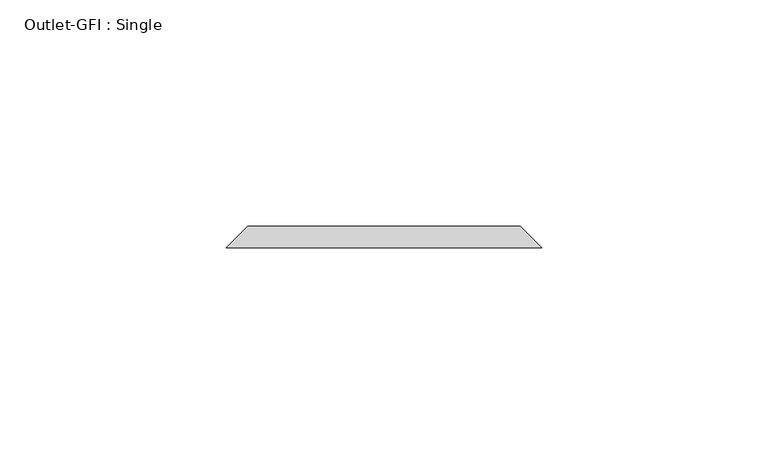
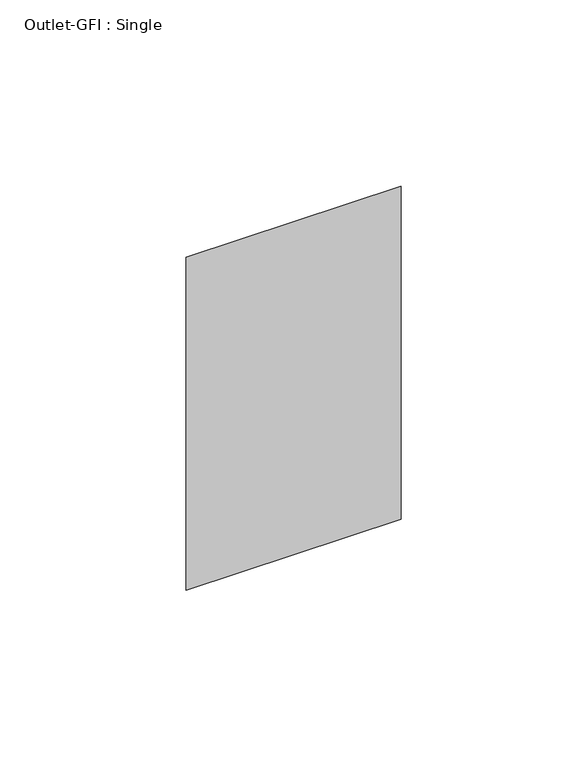
"""IFC4 building model written with IfcOpenShell, lengths in millimetres: proxy geometry, Outlet-GFI : Single."""

import ifcopenshell
import ifcopenshell.guid

model = None  # the IFC model being written
_history = None  # IfcOwnerHistory: only IFC2X3 demands one
_inside = {}  # id of a spatial element -> (the spatial element, [elements in it])
_under = {}  # id of a project, library or spatial element -> (it, [spatial elements below it])
_declared = {}  # id of a project -> (the project, [libraries it declares])
_typed = {}  # id of a type object -> (the type object, [elements of that type])
_made_of = {}  # id of a material, layer set ... -> (it, [elements and type objects made of it])


def new_model(schema):
    """Start an empty IFC model of exactly this schema.

    Asked for "IFC4X3", IfcOpenShell would pick the latest addendum, in which some entities
    have other attributes; the version numbers below select the first issue.
    IFC2X3 requires an IfcOwnerHistory on every rooted entity: one is made here for all.
    """
    global model, _history
    if schema == "IFC4X3":
        model = ifcopenshell.file(schema_version=(4, 3, 0, 0))
    else:
        model = ifcopenshell.file(schema=schema)
    _inside.clear()
    _under.clear()
    _declared.clear()
    _typed.clear()
    _made_of.clear()
    _history = None
    if model.schema == "IFC2X3":
        org = make("IfcOrganization", Name="unknown")
        user = make(
            "IfcPersonAndOrganization",
            ThePerson=make("IfcPerson", FamilyName="unknown"),
            TheOrganization=org,
        )
        app = make(
            "IfcApplication",
            ApplicationDeveloper=org,
            Version="unknown",
            ApplicationFullName="unknown",
            ApplicationIdentifier="unknown",
        )
        _history = make(
            "IfcOwnerHistory",
            OwningUser=user,
            OwningApplication=app,
            ChangeAction="ADDED",
            CreationDate=0,
        )
    return model


def make(cls, **values):
    """One entity of the class cls with the attributes given. An attribute that is None is left unset."""
    return model.create_entity(
        cls, **{name: value for name, value in values.items() if value is not None}
    )


def rooted(cls, **values):
    """An entity with a GlobalId (a new one), such as an element, a storey or a relation."""
    return make(cls, GlobalId=ifcopenshell.guid.new(), OwnerHistory=_history, **values)


def si_unit(unit_type, name, prefix=None):
    """IfcSIUnit, for example si_unit("LENGTHUNIT", "METRE", prefix="MILLI")."""
    return make("IfcSIUnit", UnitType=unit_type, Prefix=prefix, Name=name)


def assignment(units):
    """IfcUnitAssignment: the units of a project."""
    return None if units is None else make("IfcUnitAssignment", Units=units)


def point(xyz):
    """IfcCartesianPoint."""
    return None if xyz is None else make("IfcCartesianPoint", Coordinates=xyz)


def direction(xyz):
    """IfcDirection."""
    return None if xyz is None else make("IfcDirection", DirectionRatios=xyz)


def frame(location, z_axis=None, x_axis=None):
    """IfcAxis2Placement3D, a coordinate frame: its origin and axes. An axis left out is left unset."""
    return make(
        "IfcAxis2Placement3D",
        Location=point(location),
        Axis=direction(z_axis),
        RefDirection=direction(x_axis),
    )


def origin():
    """The frame at (0, 0, 0) with its axes left unset."""
    return frame((0.0, 0.0, 0.0))


def place(relative_to, where):
    """IfcLocalPlacement: puts the frame where relative to a parent placement (None: the world)."""
    return make(
        "IfcLocalPlacement", PlacementRelTo=relative_to, RelativePlacement=where
    )


def context(
    kind, dimensions, precision=None, world=None, true_north=None, identifier=None
):
    """IfcGeometricRepresentationContext, for example the 3D "Model" context."""
    return make(
        "IfcGeometricRepresentationContext",
        ContextIdentifier=identifier,
        ContextType=kind,
        CoordinateSpaceDimension=dimensions,
        Precision=precision,
        WorldCoordinateSystem=world,
        TrueNorth=true_north,
    )


def project(units=None, contexts=None):
    """IfcProject with its units and contexts."""
    return rooted(
        "IfcProject",
        Name="project",
        RepresentationContexts=contexts,
        UnitsInContext=assignment(units),
    )


def spatial(cls, under=None, at=None, **own):
    """A site, building, storey or space (cls), placed at a placement, below another one or the project."""
    s = rooted(cls, ObjectPlacement=at, **own)
    if under is not None:
        _under.setdefault(under.id(), (under, []))[1].append(s)
    return s


def faces_of(points, faces, orient=None, outer=None):
    """IfcFace entities. A face is a list of loops; a loop is a list of indices into points, from 0.

    orient and outer hold one flag for each loop. By default every Orientation is true, the
    first loop of a face is its IfcFaceOuterBound and the others are IfcFaceBound.
    """
    made = []
    for i, loops in enumerate(faces):
        bounds = []
        for j, loop in enumerate(loops):
            is_outer = j == 0 if outer is None else outer[i][j]
            bounds.append(
                make(
                    "IfcFaceOuterBound" if is_outer else "IfcFaceBound",
                    Bound=make("IfcPolyLoop", Polygon=[points[k] for k in loop]),
                    Orientation=True if orient is None else orient[i][j],
                )
            )
        made.append(make("IfcFace", Bounds=bounds))
    return made


def faceted_brep(points, faces, orient=None, outer=None, voids=None):
    """IfcFacetedBrep: a solid bounded by flat faces; with voids (closed shells), ...WithVoids."""
    shared = [point(p) for p in points]
    hull = make("IfcClosedShell", CfsFaces=faces_of(shared, faces, orient, outer))
    if voids is None:
        return make("IfcFacetedBrep", Outer=hull)
    return make(
        "IfcFacetedBrepWithVoids",
        Outer=hull,
        Voids=[
            make(cls, CfsFaces=faces_of(shared, fs, o, b)) for cls, fs, o, b in voids
        ],
    )


def shape(context_of_items, identifier, shape_type, items):
    """IfcShapeRepresentation: the items that make up one representation, for example the "Body"."""
    return make(
        "IfcShapeRepresentation",
        ContextOfItems=context_of_items,
        RepresentationIdentifier=identifier,
        RepresentationType=shape_type,
        Items=items,
    )


def source(mapping_origin, context_of_items, identifier, shape_type, items):
    """IfcRepresentationMap: a shape defined once, which mapped items show again and again."""
    return make(
        "IfcRepresentationMap",
        MappingOrigin=mapping_origin,
        MappedRepresentation=shape(context_of_items, identifier, shape_type, items),
    )


def transform(
    local_origin,
    x_axis=None,
    y_axis=None,
    z_axis=None,
    scale=None,
    scale2=None,
    scale3=None,
    uniform=True,
):
    """IfcCartesianTransformationOperator3D, or its non-uniform kind. x_axis, y_axis, z_axis: its Axis1, 2, 3."""
    if uniform:
        return make(
            "IfcCartesianTransformationOperator3D",
            Axis1=direction(x_axis),
            Axis2=direction(y_axis),
            LocalOrigin=point(local_origin),
            Scale=scale,
            Axis3=direction(z_axis),
        )
    return make(
        "IfcCartesianTransformationOperator3DnonUniform",
        Axis1=direction(x_axis),
        Axis2=direction(y_axis),
        LocalOrigin=point(local_origin),
        Scale=scale,
        Axis3=direction(z_axis),
        Scale2=scale2,
        Scale3=scale3,
    )


def mapped(mapping_source, mapping_target):
    """IfcMappedItem: shows the shape of a source again, moved by a transform."""
    return make(
        "IfcMappedItem", MappingSource=mapping_source, MappingTarget=mapping_target
    )


def made_of(thing, what):
    """Note that an element or type object is made of a material, layer set ...; save() writes the relation."""
    if what is not None:
        _made_of.setdefault(what.id(), (what, []))[1].append(thing)
    return thing


def element(
    cls,
    number,
    at=None,
    inside=None,
    cuts=None,
    type_object=None,
    material=None,
    context=None,
    identifier="Body",
    shape_type=None,
    held_by="IfcProductDefinitionShape",
    body=None,
    shapes=None,
    **own,
):
    """One element of the class cls, such as IfcWall. Its Tag is "e" and its number.

    at: its placement. inside: the storey or other place that contains it. cuts: it is an
    opening in that element (IfcRelVoidsElement). A single representation is given by context,
    identifier, shape_type and body (its items); several are given by shapes. held_by: the class
    of the entity that holds the representations. save() writes the other relations.
    """
    e = rooted(cls, Tag="e%d" % number, ObjectPlacement=at, **own)
    if body is not None:
        shapes = [shape(context, identifier, shape_type, body)]
    if shapes is not None:
        e.Representation = make(held_by, Representations=shapes)
    if inside is not None:
        _inside.setdefault(inside.id(), (inside, []))[1].append(e)
    if cuts is not None:
        rooted(
            "IfcRelVoidsElement", RelatingBuildingElement=cuts, RelatedOpeningElement=e
        )
    if type_object is not None:
        _typed.setdefault(type_object.id(), (type_object, []))[1].append(e)
    return made_of(e, material)


def aggregate(whole, parts):
    """IfcRelAggregates: a whole, such as a stair, and the parts it consists of."""
    return rooted("IfcRelAggregates", RelatingObject=whole, RelatedObjects=parts)


def save(model, path):
    """Write the relations noted so far, then the file.

    IfcRelAggregates (storeys below a building ...), IfcRelContainedInSpatialStructure (elements
    in a storey), IfcRelDefinesByType, IfcRelAssociatesMaterial and IfcRelDeclares: one each for
    every whole, place, type object, material and project.
    """
    for whole, parts in _under.values():
        aggregate(whole, parts)
    for where, things in _inside.values():
        rooted(
            "IfcRelContainedInSpatialStructure",
            RelatedElements=things,
            RelatingStructure=where,
        )
    for kind, things in _typed.values():
        rooted("IfcRelDefinesByType", RelatedObjects=things, RelatingType=kind)
    for what, things in _made_of.values():
        rooted("IfcRelAssociatesMaterial", RelatedObjects=things, RelatingMaterial=what)
    for by, libraries in _declared.values():
        rooted("IfcRelDeclares", RelatingContext=by, RelatedDefinitions=libraries)
    model.write(path)


def outlet_gfi_single_b9eccb5e(model_context):
    return source(origin(), model_context, "Body", "Brep", [
        faceted_brep([(-30.1625, 68.2625, 1271.5875), (30.1625, 68.2625, 1271.5875), (30.1625, 68.2625, 1166.8125), (-30.1625, 68.2625, 1166.8125), (-34.925, 63.5, 1276.35), (-34.925, 63.5, 1162.05), (34.925, 63.5, 1162.05), (34.925, 63.5, 1276.35)], [[[0, 1, 2, 3]], [[4, 5, 6, 7]], [[4, 7, 1, 0]], [[7, 6, 2, 1]], [[6, 5, 3, 2]], [[5, 4, 0, 3]]]),
    ])


if __name__ == "__main__":
    model = new_model("IFC4")
    model_context = context("Model", 3, world=origin())
    ifc_project = project(units=[si_unit("LENGTHUNIT", "METRE", prefix="MILLI")], contexts=[model_context])
    site = spatial("IfcSite", under=ifc_project)
    building = spatial("IfcBuilding", under=site)
    placement = place(None, origin())
    outlet_gfi_single_shape = outlet_gfi_single_b9eccb5e(model_context)
    element("IfcBuildingElementProxy", 1, Name="Outlet-GFI : Single", ObjectType="Outlet-GFI : Single", at=placement, inside=building, context=model_context, shape_type="MappedRepresentation", body=[
        mapped(outlet_gfi_single_shape, transform((0.0, 0.0, 0.0), x_axis=(1.0, 0.0, 0.0), y_axis=(0.0, 1.0, 0.0), z_axis=(0.0, 0.0, 1.0))),
    ])
    save(model, "model.ifc")
